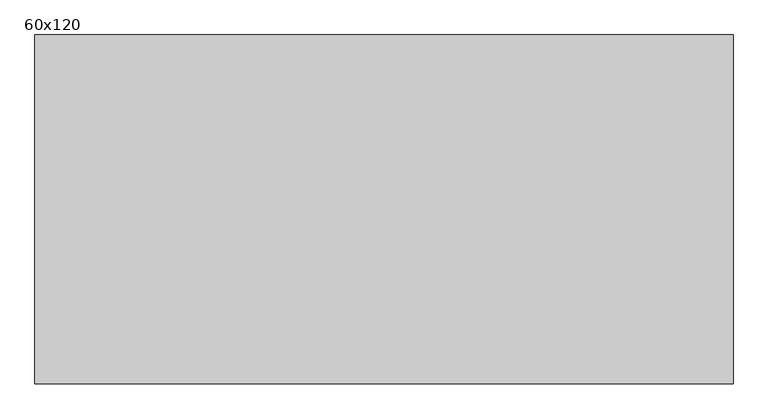
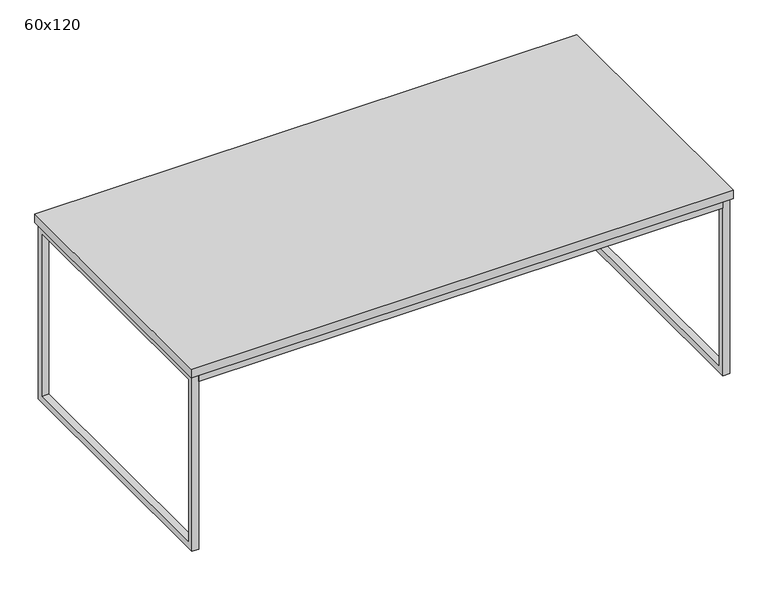
"""IFC4 building model written with IfcOpenShell, lengths in millimetres: furniture geometry, 60x120."""

from ifc_helpers import new_model, si_unit, point, frame, frame_2d, origin, place, context, project, spatial, polyline, circle_curve, trimmed, segment, composite_curve, outline, extrude, source, transform, mapped, element, save


def furniture_60x120_fc6cfbcd(model_context):
    return source(origin(), model_context, "Body", "SweptSolid", [
        extrude(outline(composite_curve([segment(trimmed(circle_curve(frame_2d((82.55, -11.8295393)), 5.08), [point((77.47, -11.8295393))], [point((87.63, -11.8295393))], False, "CARTESIAN"), True, "CONTINUOUS"), segment(trimmed(circle_curve(frame_2d((82.55, -11.8295393)), 5.08), [point((87.63, -11.8295393))], [point((77.47, -11.8295393))], False, "CARTESIAN"), True, "CONTINUOUS")], self_intersect=False)), frame((0.0, 0.0, 408.6626582), z_axis=(0.0, 0.0, 1.0), x_axis=(1.0, 0.0, 0.0)), (0.0, 0.0, 1.0), 3.4530603),
        extrude(outline(composite_curve([segment(trimmed(circle_curve(frame_2d((82.55, -587.3661025)), 5.08), [point((77.47, -587.3661025))], [point((87.63, -587.3661025))], False, "CARTESIAN"), True, "CONTINUOUS"), segment(trimmed(circle_curve(frame_2d((82.55, -587.3661025)), 5.08), [point((87.63, -587.3661025))], [point((77.47, -587.3661025))], False, "CARTESIAN"), True, "CONTINUOUS")], self_intersect=False)), frame((0.0, 0.0, 408.6626582), z_axis=(0.0, 0.0, 1.0), x_axis=(1.0, 0.0, 0.0)), (0.0, 0.0, 1.0), 3.4530603),
        extrude(outline(composite_curve([segment(trimmed(circle_curve(frame_2d((1117.45, -11.8295393)), 5.08), [point((1112.37, -11.8295393))], [point((1122.53, -11.8295393))], False, "CARTESIAN"), True, "CONTINUOUS"), segment(trimmed(circle_curve(frame_2d((1117.45, -11.8295393)), 5.08), [point((1122.53, -11.8295393))], [point((1112.37, -11.8295393))], False, "CARTESIAN"), True, "CONTINUOUS")], self_intersect=False)), frame((0.0, 0.0, 408.6626582), z_axis=(0.0, 0.0, 1.0), x_axis=(1.0, 0.0, 0.0)), (0.0, 0.0, 1.0), 3.4530603),
        extrude(outline(composite_curve([segment(trimmed(circle_curve(frame_2d((1117.45, -587.3661025)), 5.08), [point((1112.37, -587.3661025))], [point((1122.53, -587.3661025))], False, "CARTESIAN"), True, "CONTINUOUS"), segment(trimmed(circle_curve(frame_2d((1117.45, -587.3661025)), 5.08), [point((1122.53, -587.3661025))], [point((1112.37, -587.3661025))], False, "CARTESIAN"), True, "CONTINUOUS")], self_intersect=False)), frame((0.0, 0.0, 408.6626582), z_axis=(0.0, 0.0, 1.0), x_axis=(1.0, 0.0, 0.0)), (0.0, 0.0, 1.0), 3.4530603),
        extrude(outline(composite_curve([segment(trimmed(circle_curve(frame_2d((600.0, -11.8295393)), 5.08), [point((594.92, -11.8295393))], [point((605.08, -11.8295393))], False, "CARTESIAN"), True, "CONTINUOUS"), segment(trimmed(circle_curve(frame_2d((600.0, -11.8295393)), 5.08), [point((605.08, -11.8295393))], [point((594.92, -11.8295393))], False, "CARTESIAN"), True, "CONTINUOUS")], self_intersect=False)), frame((0.0, 0.0, 408.6626582), z_axis=(0.0, 0.0, 1.0), x_axis=(1.0, 0.0, 0.0)), (0.0, 0.0, 1.0), 3.4530603),
        extrude(outline(composite_curve([segment(trimmed(circle_curve(frame_2d((600.0, -587.3661025)), 5.08), [point((594.92, -587.3661025))], [point((605.08, -587.3661025))], False, "CARTESIAN"), True, "CONTINUOUS"), segment(trimmed(circle_curve(frame_2d((600.0, -587.3661025)), 5.08), [point((605.08, -587.3661025))], [point((594.92, -587.3661025))], False, "CARTESIAN"), True, "CONTINUOUS")], self_intersect=False)), frame((0.0, 0.0, 408.6626582), z_axis=(0.0, 0.0, 1.0), x_axis=(1.0, 0.0, 0.0)), (0.0, 0.0, 1.0), 3.4530603),
        extrude(outline(composite_curve([segment(trimmed(circle_curve(frame_2d((12.2549749, -82.55)), 5.08), [point((7.1749749, -82.55))], [point((17.3349749, -82.55))], False, "CARTESIAN"), True, "CONTINUOUS"), segment(trimmed(circle_curve(frame_2d((12.2549749, -82.55)), 5.08), [point((17.3349749, -82.55))], [point((7.1749749, -82.55))], False, "CARTESIAN"), True, "CONTINUOUS")], self_intersect=False)), frame((0.0, 0.0, 408.6626582), z_axis=(0.0, 0.0, 1.0), x_axis=(1.0, 0.0, 0.0)), (0.0, 0.0, 1.0), 3.4530603),
        extrude(outline(composite_curve([segment(trimmed(circle_curve(frame_2d((12.2549749, -300.0)), 5.08), [point((7.1749749, -300.0))], [point((17.3349749, -300.0))], False, "CARTESIAN"), True, "CONTINUOUS"), segment(trimmed(circle_curve(frame_2d((12.2549749, -300.0)), 5.08), [point((17.3349749, -300.0))], [point((7.1749749, -300.0))], False, "CARTESIAN"), True, "CONTINUOUS")], self_intersect=False)), frame((0.0, 0.0, 408.6626582), z_axis=(0.0, 0.0, 1.0), x_axis=(1.0, 0.0, 0.0)), (0.0, 0.0, 1.0), 3.4530603),
        extrude(outline(composite_curve([segment(trimmed(circle_curve(frame_2d((12.2549749, -517.45)), 5.08), [point((7.1749749, -517.45))], [point((17.3349749, -517.45))], False, "CARTESIAN"), True, "CONTINUOUS"), segment(trimmed(circle_curve(frame_2d((12.2549749, -517.45)), 5.08), [point((17.3349749, -517.45))], [point((7.1749749, -517.45))], False, "CARTESIAN"), True, "CONTINUOUS")], self_intersect=False)), frame((0.0, 0.0, 408.6626582), z_axis=(0.0, 0.0, 1.0), x_axis=(1.0, 0.0, 0.0)), (0.0, 0.0, 1.0), 3.4530603),
        extrude(outline(composite_curve([segment(trimmed(circle_curve(frame_2d((1187.8490251, -82.55)), 5.08), [point((1182.7690251, -82.55))], [point((1192.9290251, -82.55))], False, "CARTESIAN"), True, "CONTINUOUS"), segment(trimmed(circle_curve(frame_2d((1187.8490251, -82.55)), 5.08), [point((1192.9290251, -82.55))], [point((1182.7690251, -82.55))], False, "CARTESIAN"), True, "CONTINUOUS")], self_intersect=False)), frame((0.0, 0.0, 408.6626582), z_axis=(0.0, 0.0, 1.0), x_axis=(1.0, 0.0, 0.0)), (0.0, 0.0, 1.0), 3.4530603),
        extrude(outline(composite_curve([segment(trimmed(circle_curve(frame_2d((1187.8490251, -300.0)), 5.08), [point((1182.7690251, -300.0))], [point((1192.9290251, -300.0))], False, "CARTESIAN"), True, "CONTINUOUS"), segment(trimmed(circle_curve(frame_2d((1187.8490251, -300.0)), 5.08), [point((1192.9290251, -300.0))], [point((1182.7690251, -300.0))], False, "CARTESIAN"), True, "CONTINUOUS")], self_intersect=False)), frame((0.0, 0.0, 408.6626582), z_axis=(0.0, 0.0, 1.0), x_axis=(1.0, 0.0, 0.0)), (0.0, 0.0, 1.0), 3.4530603),
        extrude(outline(composite_curve([segment(trimmed(circle_curve(frame_2d((1187.8490251, -517.45)), 5.08), [point((1182.7690251, -517.45))], [point((1192.9290251, -517.45))], False, "CARTESIAN"), True, "CONTINUOUS"), segment(trimmed(circle_curve(frame_2d((1187.8490251, -517.45)), 5.08), [point((1192.9290251, -517.45))], [point((1182.7690251, -517.45))], False, "CARTESIAN"), True, "CONTINUOUS")], self_intersect=False)), frame((0.0, 0.0, 408.6626582), z_axis=(0.0, 0.0, 1.0), x_axis=(1.0, 0.0, 0.0)), (0.0, 0.0, 1.0), 3.4530603),
        extrude(outline(polyline([(1180.219228, -4.2938053), (1180.219228, -19.2935438), (19.780772, -19.2935438), (19.780772, -4.2938053), (1180.219228, -4.2938053)])), frame((0.0, 0.0, 393.6629197), z_axis=(0.0, 0.0, 1.0), x_axis=(1.0, 0.0, 0.0)), (0.0, 0.0, 1.0), 14.9997385),
        extrude(outline(polyline([(1180.219228, -579.4321784), (1180.219228, -594.4319169), (19.780772, -594.4319169), (19.780772, -579.4321784), (1180.219228, -579.4321784)])), frame((0.0, 0.0, 393.6629197), z_axis=(0.0, 0.0, 1.0), x_axis=(1.0, 0.0, 0.0)), (0.0, 0.0, 1.0), 14.9997385),
        extrude(outline(polyline([(-594.4319169, 408.6626582), (-4.2938053, 408.6626582), (-4.2938053, 0.0), (-594.4319169, 0.0), (-594.4319169, 408.6626582)]), holes=[polyline([(-579.4321784, 14.9997385), (-19.2935438, 14.9997385), (-19.2935438, 393.6629197), (-579.4321784, 393.6629197), (-579.4321784, 14.9997385)])]), frame((1180.219228, 0.0, 0.0), z_axis=(1.0, 0.0, 0.0), x_axis=(0.0, 1.0, 0.0)), (0.0, 0.0, 1.0), 15.0515942),
        extrude(outline(polyline([(-594.4319169, 408.6626582), (-4.2938053, 408.6626582), (-4.2938053, 0.0), (-594.4319169, 0.0), (-594.4319169, 408.6626582)]), holes=[polyline([(-579.4321784, 14.9997385), (-19.2935438, 14.9997385), (-19.2935438, 393.6629197), (-579.4321784, 393.6629197), (-579.4321784, 14.9997385)])]), frame((4.7291778, 0.0, 0.0), z_axis=(1.0, 0.0, 0.0), x_axis=(0.0, 1.0, 0.0)), (0.0, 0.0, 1.0), 15.0515942),
        extrude(outline(polyline([(1200.0, 0.0), (1200.0, -600.0), (0.0, -600.0), (0.0, 0.0), (1200.0, 0.0)])), frame((0.0, 0.0, 412.1157185), z_axis=(0.0, 0.0, 1.0), x_axis=(1.0, 0.0, 0.0)), (0.0, 0.0, 1.0), 19.6842815),
    ])


if __name__ == "__main__":
    model = new_model("IFC4")
    model_context = context("Model", 3, world=origin())
    ifc_project = project(units=[si_unit("LENGTHUNIT", "METRE", prefix="MILLI")], contexts=[model_context])
    site = spatial("IfcSite", under=ifc_project)
    building = spatial("IfcBuilding", under=site)
    placement = place(None, origin())
    furniture_60x120_shape = furniture_60x120_fc6cfbcd(model_context)
    element("IfcFurniture", 1, ObjectType="60x120", at=placement, inside=building, context=model_context, shape_type="MappedRepresentation", body=[
        mapped(furniture_60x120_shape, transform((0.0, 0.0, 0.0), x_axis=(1.0, 0.0, 0.0), y_axis=(0.0, 1.0, 0.0), z_axis=(0.0, 0.0, 1.0))),
    ])
    save(model, "model.ifc")
